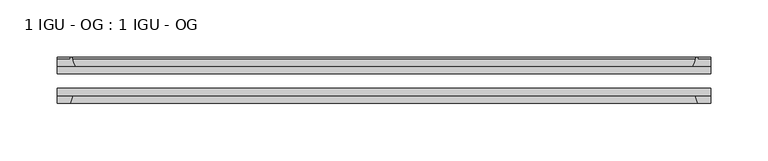
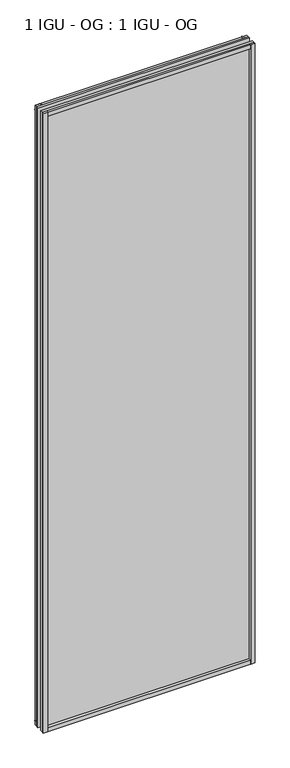
"""IFC4 building model written with IfcOpenShell, lengths in millimetres: plate geometry, 1 IGU - OG : 1 IGU - OG."""

from ifc_helpers import new_model, si_unit, point, frame, frame_2d, origin, place, context, project, spatial, polyline, circle_curve, trimmed, segment, composite_curve, outline, extrude, source, transform, mapped, element, save


def plate_1_igu_og_1_igu_og_593beb02(model_context):
    return source(origin(), model_context, "Body", "SweptSolid", [
        extrude(outline(polyline([(284.1625, -31.75), (284.1625, -38.1), (-284.1625, -38.1), (-284.1625, -31.75), (284.1625, -31.75)])), frame((0.0, 0.0, -11.1125), z_axis=(0.0, 0.0, 1.0), x_axis=(1.0, 0.0, 0.0)), (0.0, 0.0, 1.0), 1755.775),
        extrude(outline(polyline([(-284.1625, -12.7), (284.1625, -12.7), (284.1625, -19.05), (-284.1625, -19.05), (-284.1625, -12.7)])), frame((0.0, 0.0, -11.1125), z_axis=(0.0, 0.0, 1.0), x_axis=(1.0, 0.0, 0.0)), (0.0, 0.0, 1.0), 1755.775),
        extrude(outline(composite_curve([segment(polyline([(-268.8267091, -12.7), (-284.1625, -12.7), (-284.1625, -6.35), (-273.05, -6.35), (-273.05, -4.7751661), (-272.120586, -4.7751661)]), True, "CONTINUOUS"), segment(trimmed(circle_curve(frame_2d((-272.120586, -5.5371661)), 0.762), [point((-272.120586, -4.7751661))], [point((-271.3783761, -5.364631))], False, "CARTESIAN"), True, "CONTINUOUS"), segment(trimmed(circle_curve(frame_2d((-235.7491579, 2.9177851)), 36.5792237), [point((-271.3783761, -5.364631))], [point((-268.8267091, -12.7))], True, "CARTESIAN"), True, "CONTINUOUS")], self_intersect=False)), frame((0.0, 0.0, -11.1125), z_axis=(0.0, 0.0, 1.0), x_axis=(1.0, 0.0, 0.0)), (0.0, 0.0, 1.0), 1755.775),
        extrude(outline(polyline([(-284.1625, -38.1), (-270.9447229, -38.1), (-273.05, -44.45), (-284.1625, -44.45), (-284.1625, -38.1)])), frame((0.0, 0.0, -11.1125), z_axis=(0.0, 0.0, 1.0), x_axis=(1.0, 0.0, 0.0)), (0.0, 0.0, 1.0), 1755.775),
        extrude(outline(composite_curve([segment(trimmed(circle_curve(frame_2d((272.120586, -5.5371661)), 0.762), [point((271.3783761, -5.364631))], [point((272.120586, -4.7751661))], False, "CARTESIAN"), True, "CONTINUOUS"), segment(polyline([(272.120586, -4.7751661), (273.05, -4.7751661), (273.05, -6.35), (284.1625, -6.35), (284.1625, -12.7), (268.8267091, -12.7)]), True, "CONTINUOUS"), segment(trimmed(circle_curve(frame_2d((235.7491579, 2.9177851)), 36.5792237), [point((268.8267091, -12.7))], [point((271.3783761, -5.364631))], True, "CARTESIAN"), True, "CONTINUOUS")], self_intersect=False)), frame((0.0, 0.0, -11.1125), z_axis=(0.0, 0.0, 1.0), x_axis=(1.0, 0.0, 0.0)), (0.0, 0.0, 1.0), 1755.775),
        extrude(outline(polyline([(270.9447229, -38.1), (284.1625, -38.1), (284.1625, -44.45), (273.05, -44.45), (270.9447229, -38.1)])), frame((0.0, 0.0, -11.1125), z_axis=(0.0, 0.0, 1.0), x_axis=(1.0, 0.0, 0.0)), (0.0, 0.0, 1.0), 1755.775),
        extrude(outline(composite_curve([segment(polyline([(-12.7, -11.1125), (-12.7, 4.2232909)]), True, "CONTINUOUS"), segment(trimmed(circle_curve(frame_2d((2.9177851, 37.3008421)), 36.5792237), [point((-12.7, 4.2232909))], [point((-5.364631, 1.6716239))], True, "CARTESIAN"), True, "CONTINUOUS"), segment(trimmed(circle_curve(frame_2d((-5.5371661, 0.929414)), 0.762), [point((-5.364631, 1.6716239))], [point((-4.7751661, 0.929414))], False, "CARTESIAN"), True, "CONTINUOUS"), segment(polyline([(-4.7751661, 0.929414), (-4.7751661, 0.0), (-6.35, 0.0), (-6.35, -11.1125), (-12.7, -11.1125)]), True, "CONTINUOUS")], self_intersect=False)), frame((-284.1625, 0.0, 0.0), z_axis=(1.0, 0.0, 0.0), x_axis=(0.0, 1.0, 0.0)), (0.0, 0.0, 1.0), 568.325),
        extrude(outline(polyline([(-38.1, 2.1052771), (-38.1, -11.1125), (-44.45, -11.1125), (-44.45, 0.0), (-38.1, 2.1052771)])), frame((-284.1625, 0.0, 0.0), z_axis=(1.0, 0.0, 0.0), x_axis=(0.0, 1.0, 0.0)), (0.0, 0.0, 1.0), 568.325),
        extrude(outline(composite_curve([segment(trimmed(circle_curve(frame_2d((2.9177851, 1696.2491579)), 36.5792237), [point((-5.364631, 1731.8783761))], [point((-12.7, 1729.3267091))], True, "CARTESIAN"), True, "CONTINUOUS"), segment(polyline([(-12.7, 1729.3267091), (-12.7, 1744.6625), (-6.35, 1744.6625), (-6.35, 1733.55), (-4.7751661, 1733.55), (-4.7751661, 1732.620586)]), True, "CONTINUOUS"), segment(trimmed(circle_curve(frame_2d((-5.5371661, 1732.620586)), 0.762), [point((-4.7751661, 1732.620586))], [point((-5.364631, 1731.8783761))], False, "CARTESIAN"), True, "CONTINUOUS")], self_intersect=False)), frame((-284.1625, 0.0, 0.0), z_axis=(1.0, 0.0, 0.0), x_axis=(0.0, 1.0, 0.0)), (0.0, 0.0, 1.0), 568.325),
        extrude(outline(polyline([(-38.1, 1744.6625), (-38.1, 1731.4447229), (-44.45, 1733.55), (-44.45, 1744.6625), (-38.1, 1744.6625)])), frame((-284.1625, 0.0, 0.0), z_axis=(1.0, 0.0, 0.0), x_axis=(0.0, 1.0, 0.0)), (0.0, 0.0, 1.0), 568.325),
    ])


if __name__ == "__main__":
    model = new_model("IFC4")
    model_context = context("Model", 3, world=origin())
    ifc_project = project(units=[si_unit("LENGTHUNIT", "METRE", prefix="MILLI")], contexts=[model_context])
    site = spatial("IfcSite", under=ifc_project)
    building = spatial("IfcBuilding", under=site)
    placement = place(None, origin())
    plate_1_igu_og_1_igu_og_shape = plate_1_igu_og_1_igu_og_593beb02(model_context)
    element("IfcPlate", 1, ObjectType="1 IGU - OG : 1 IGU - OG", at=placement, inside=building, context=model_context, shape_type="MappedRepresentation", body=[
        mapped(plate_1_igu_og_1_igu_og_shape, transform((0.0, 0.0, 0.0), x_axis=(1.0, 0.0, 0.0), y_axis=(0.0, 1.0, 0.0), z_axis=(0.0, 0.0, 1.0))),
    ])
    save(model, "model.ifc")
